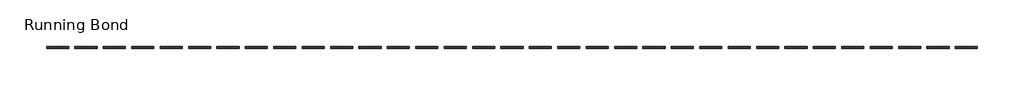
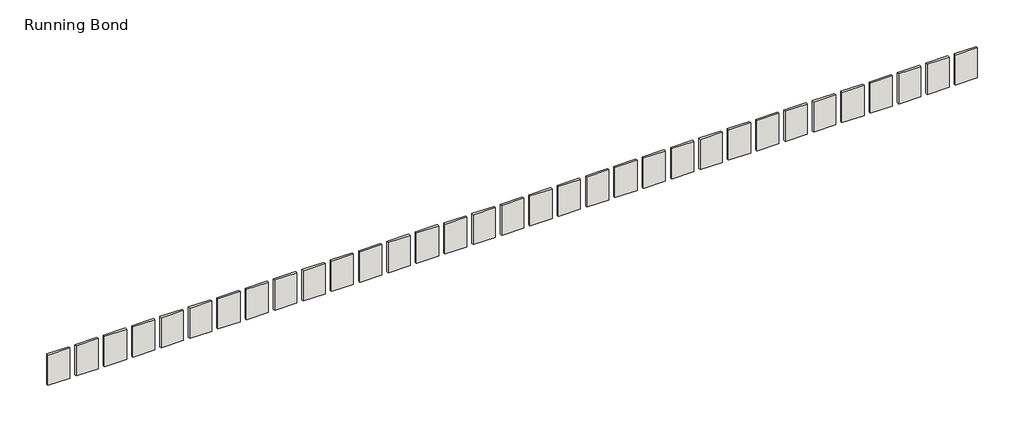
# One storey: 33 walls.
"""IFC4 building model written with IfcOpenShell, lengths in millimetres."""

from ifc_helpers import new_model, si_unit, origin, origin_with_axes, place, context, project, spatial, polyline, outline, extrude, element, save

model = new_model("IFC4")

# Units and contexts
model_context = context("Model", 3, world=origin())
ifc_project = project(units=[si_unit("LENGTHUNIT", "METRE", prefix="MILLI")], contexts=[model_context])

# Site, building, storey
site = spatial("IfcSite", under=ifc_project)
building = spatial("IfcBuilding", under=site)
storey = spatial("IfcBuildingStorey", under=building, Name="Running Bond", Elevation=0.0)

# Walls
placement = place(None, origin())
element("IfcWall", 1, at=placement, inside=storey, context=model_context, shape_type="SweptSolid", body=[
    extrude(outline(polyline([(-8690.2229746, -16295.9620319), (-9757.0229746, -16295.9620319), (-9757.0229746, -16194.3620319), (-8690.2229746, -16194.3620319), (-8690.2229746, -16295.9620319)])), origin_with_axes(), (0.0, 0.0, 1.0), 1551.3498478),
])
element("IfcWall", 2, at=placement, inside=storey, context=model_context, shape_type="SweptSolid", body=[
    extrude(outline(polyline([(-7318.6229746, -16295.9620319), (-8385.4229746, -16295.9620319), (-8385.4229746, -16194.3620319), (-7318.6229746, -16194.3620319), (-7318.6229746, -16295.9620319)])), origin_with_axes(), (0.0, 0.0, 1.0), 1524.0),
])
element("IfcWall", 3, at=placement, inside=storey, context=model_context, shape_type="SweptSolid", body=[
    extrude(outline(polyline([(2282.5770254, -16295.9620319), (1215.7770254, -16295.9620319), (1215.7770254, -16194.3620319), (2282.5770254, -16194.3620319), (2282.5770254, -16295.9620319)])), origin_with_axes(), (0.0, 0.0, 1.0), 1545.387798),
])
element("IfcWall", 4, at=placement, inside=storey, context=model_context, shape_type="SweptSolid", body=[
    extrude(outline(polyline([(3654.1770254, -16295.9620319), (2587.3770254, -16295.9620319), (2587.3770254, -16194.3620319), (3654.1770254, -16194.3620319), (3654.1770254, -16295.9620319)])), origin_with_axes(), (0.0, 0.0, 1.0), 1545.387798),
])
element("IfcWall", 5, at=placement, inside=storey, context=model_context, shape_type="SweptSolid", body=[
    extrude(outline(polyline([(7768.9770254, -16295.9620319), (6702.1770254, -16295.9620319), (6702.1770254, -16194.3620319), (7768.9770254, -16194.3620319), (7768.9770254, -16295.9620319)])), origin_with_axes(), (0.0, 0.0, 1.0), 1545.387798),
])
element("IfcWall", 6, at=placement, inside=storey, context=model_context, shape_type="SweptSolid", body=[
    extrude(outline(polyline([(10512.1770254, -16295.9620319), (9445.3770254, -16295.9620319), (9445.3770254, -16194.3620319), (10512.1770254, -16194.3620319), (10512.1770254, -16295.9620319)])), origin_with_axes(), (0.0, 0.0, 1.0), 1545.387798),
])
element("IfcWall", 7, at=placement, inside=storey, context=model_context, shape_type="SweptSolid", body=[
    extrude(outline(polyline([(11883.7770254, -16295.9620319), (10816.9770254, -16295.9620319), (10816.9770254, -16194.3620319), (11883.7770254, -16194.3620319), (11883.7770254, -16295.9620319)])), origin_with_axes(), (0.0, 0.0, 1.0), 1545.387798),
])
element("IfcWall", 8, at=placement, inside=storey, context=model_context, shape_type="SweptSolid", body=[
    extrude(outline(polyline([(13255.3770254, -16295.9620319), (12188.5770254, -16295.9620319), (12188.5770254, -16194.3620319), (13255.3770254, -16194.3620319), (13255.3770254, -16295.9620319)])), origin_with_axes(), (0.0, 0.0, 1.0), 1545.387798),
])
element("IfcWall", 9, at=placement, inside=storey, context=model_context, shape_type="SweptSolid", body=[
    extrude(outline(polyline([(14626.9770254, -16295.9620319), (13560.1770254, -16295.9620319), (13560.1770254, -16194.3620319), (14626.9770254, -16194.3620319), (14626.9770254, -16295.9620319)])), origin_with_axes(), (0.0, 0.0, 1.0), 1545.387798),
])
element("IfcWall", 10, at=placement, inside=storey, context=model_context, shape_type="SweptSolid", body=[
    extrude(outline(polyline([(-19663.0229746, -16295.9620319), (-20729.8229746, -16295.9620319), (-20729.8229746, -16194.3620319), (-19663.0229746, -16194.3620319), (-19663.0229746, -16295.9620319)])), origin_with_axes(), (0.0, 0.0, 1.0), 1545.387798),
])
element("IfcWall", 11, at=placement, inside=storey, context=model_context, shape_type="SweptSolid", body=[
    extrude(outline(polyline([(-18291.4229746, -16295.9620319), (-19358.2229746, -16295.9620319), (-19358.2229746, -16194.3620319), (-18291.4229746, -16194.3620319), (-18291.4229746, -16295.9620319)])), origin_with_axes(), (0.0, 0.0, 1.0), 1545.387798),
])
element("IfcWall", 12, at=placement, inside=storey, context=model_context, shape_type="SweptSolid", body=[
    extrude(outline(polyline([(-11433.4229746, -16295.9620319), (-12500.2229746, -16295.9620319), (-12500.2229746, -16194.3620319), (-11433.4229746, -16194.3620319), (-11433.4229746, -16295.9620319)])), origin_with_axes(), (0.0, 0.0, 1.0), 1545.387798),
])
element("IfcWall", 13, at=placement, inside=storey, context=model_context, shape_type="SweptSolid", body=[
    extrude(outline(polyline([(-10061.8229746, -16295.9620319), (-11128.6229746, -16295.9620319), (-11128.6229746, -16194.3620319), (-10061.8229746, -16194.3620319), (-10061.8229746, -16295.9620319)])), origin_with_axes(), (0.0, 0.0, 1.0), 1545.387798),
])
element("IfcWall", 14, at=placement, inside=storey, context=model_context, shape_type="SweptSolid", body=[
    extrude(outline(polyline([(-16919.8229746, -16295.9620319), (-17986.6229746, -16295.9620319), (-17986.6229746, -16194.3620319), (-16919.8229746, -16194.3620319), (-16919.8229746, -16295.9620319)])), origin_with_axes(), (0.0, 0.0, 1.0), 1545.387798),
])
element("IfcWall", 15, at=placement, inside=storey, context=model_context, shape_type="SweptSolid", body=[
    extrude(outline(polyline([(-15548.2229746, -16295.9620319), (-16615.0229746, -16295.9620319), (-16615.0229746, -16194.3620319), (-15548.2229746, -16194.3620319), (-15548.2229746, -16295.9620319)])), origin_with_axes(), (0.0, 0.0, 1.0), 1545.387798),
])
element("IfcWall", 16, at=placement, inside=storey, context=model_context, shape_type="SweptSolid", body=[
    extrude(outline(polyline([(-460.6229746, -16291.1995319), (-1527.4229746, -16291.1995319), (-1527.4229746, -16199.1245319), (-460.6229746, -16199.1245319), (-460.6229746, -16291.1995319)])), origin_with_axes(), (0.0, 0.0, 1.0), 1545.387798),
])
element("IfcWall", 17, at=placement, inside=storey, context=model_context, shape_type="SweptSolid", body=[
    extrude(outline(polyline([(910.9770254, -16291.1995319), (-155.8229746, -16291.1995319), (-155.8229746, -16199.1245319), (910.9770254, -16199.1245319), (910.9770254, -16291.1995319)])), origin_with_axes(), (0.0, 0.0, 1.0), 1545.387798),
])
element("IfcWall", 18, at=placement, inside=storey, context=model_context, shape_type="SweptSolid", body=[
    extrude(outline(polyline([(-14176.6229746, -16295.9620319), (-15243.4229746, -16295.9620319), (-15243.4229746, -16194.3620319), (-14176.6229746, -16194.3620319), (-14176.6229746, -16295.9620319)])), origin_with_axes(), (0.0, 0.0, 1.0), 1545.387798),
])
element("IfcWall", 19, at=placement, inside=storey, context=model_context, shape_type="SweptSolid", body=[
    extrude(outline(polyline([(-12805.0229746, -16295.9620319), (-13871.8229746, -16295.9620319), (-13871.8229746, -16194.3620319), (-12805.0229746, -16194.3620319), (-12805.0229746, -16295.9620319)])), origin_with_axes(), (0.0, 0.0, 1.0), 1545.387798),
])
element("IfcWall", 20, at=placement, inside=storey, context=model_context, shape_type="SweptSolid", body=[
    extrude(outline(polyline([(-22406.2229746, -16295.9620319), (-23473.0229746, -16295.9620319), (-23473.0229746, -16194.3620319), (-22406.2229746, -16194.3620319), (-22406.2229746, -16295.9620319)])), origin_with_axes(), (0.0, 0.0, 1.0), 1545.387798),
])
element("IfcWall", 21, at=placement, inside=storey, context=model_context, shape_type="SweptSolid", body=[
    extrude(outline(polyline([(-26521.0229746, -16295.9620319), (-27587.8229746, -16295.9620319), (-27587.8229746, -16194.3620319), (-26521.0229746, -16194.3620319), (-26521.0229746, -16295.9620319)])), origin_with_axes(), (0.0, 0.0, 1.0), 1545.387798),
])
element("IfcWall", 22, at=placement, inside=storey, context=model_context, shape_type="SweptSolid", body=[
    extrude(outline(polyline([(-25149.4229746, -16295.9620319), (-26216.2229746, -16295.9620319), (-26216.2229746, -16194.3620319), (-25149.4229746, -16194.3620319), (-25149.4229746, -16295.9620319)])), origin_with_axes(), (0.0, 0.0, 1.0), 1545.387798),
])
element("IfcWall", 23, at=placement, inside=storey, context=model_context, shape_type="SweptSolid", body=[
    extrude(outline(polyline([(-23777.8229746, -16295.9620319), (-24844.6229746, -16295.9620319), (-24844.6229746, -16194.3620319), (-23777.8229746, -16194.3620319), (-23777.8229746, -16295.9620319)])), origin_with_axes(), (0.0, 0.0, 1.0), 1545.387798),
])
element("IfcWall", 24, at=placement, inside=storey, context=model_context, shape_type="SweptSolid", body=[
    extrude(outline(polyline([(-21034.6229746, -16295.9620319), (-22101.4229746, -16295.9620319), (-22101.4229746, -16194.3620319), (-21034.6229746, -16194.3620319), (-21034.6229746, -16295.9620319)])), origin_with_axes(), (0.0, 0.0, 1.0), 1545.387798),
])
element("IfcWall", 25, at=placement, inside=storey, context=model_context, shape_type="SweptSolid", body=[
    extrude(outline(polyline([(-5947.0229746, -16295.9620319), (-7013.8229746, -16295.9620319), (-7013.8229746, -16194.3620319), (-5947.0229746, -16194.3620319), (-5947.0229746, -16295.9620319)])), origin_with_axes(), (0.0, 0.0, 1.0), 1524.0),
])
element("IfcWall", 26, at=placement, inside=storey, context=model_context, shape_type="SweptSolid", body=[
    extrude(outline(polyline([(-4575.4229746, -16295.9620319), (-5642.2229746, -16295.9620319), (-5642.2229746, -16194.3620319), (-4575.4229746, -16194.3620319), (-4575.4229746, -16295.9620319)])), origin_with_axes(), (0.0, 0.0, 1.0), 1524.0),
])
element("IfcWall", 27, at=placement, inside=storey, context=model_context, shape_type="SweptSolid", body=[
    extrude(outline(polyline([(-3203.8229746, -16295.9620319), (-4270.6229746, -16295.9620319), (-4270.6229746, -16194.3620319), (-3203.8229746, -16194.3620319), (-3203.8229746, -16295.9620319)])), origin_with_axes(), (0.0, 0.0, 1.0), 1524.0),
])
element("IfcWall", 28, at=placement, inside=storey, context=model_context, shape_type="SweptSolid", body=[
    extrude(outline(polyline([(-1832.2229746, -16295.9620319), (-2899.0229746, -16295.9620319), (-2899.0229746, -16194.3620319), (-1832.2229746, -16194.3620319), (-1832.2229746, -16295.9620319)])), origin_with_axes(), (0.0, 0.0, 1.0), 1524.0),
])
element("IfcWall", 29, at=placement, inside=storey, context=model_context, shape_type="SweptSolid", body=[
    extrude(outline(polyline([(5025.7770254, -16295.9620319), (3958.9770254, -16295.9620319), (3958.9770254, -16194.3620319), (5025.7770254, -16194.3620319), (5025.7770254, -16295.9620319)])), origin_with_axes(), (0.0, 0.0, 1.0), 1545.387798),
])
element("IfcWall", 30, at=placement, inside=storey, context=model_context, shape_type="SweptSolid", body=[
    extrude(outline(polyline([(6397.3770254, -16295.9620319), (5330.5770254, -16295.9620319), (5330.5770254, -16194.3620319), (6397.3770254, -16194.3620319), (6397.3770254, -16295.9620319)])), origin_with_axes(), (0.0, 0.0, 1.0), 1545.387798),
])
element("IfcWall", 31, at=placement, inside=storey, context=model_context, shape_type="SweptSolid", body=[
    extrude(outline(polyline([(9140.5770254, -16295.9620319), (8073.7770254, -16295.9620319), (8073.7770254, -16194.3620319), (9140.5770254, -16194.3620319), (9140.5770254, -16295.9620319)])), origin_with_axes(), (0.0, 0.0, 1.0), 1545.387798),
])
element("IfcWall", 32, at=placement, inside=storey, context=model_context, shape_type="SweptSolid", body=[
    extrude(outline(polyline([(15998.5770254, -16295.9620319), (14931.7770254, -16295.9620319), (14931.7770254, -16194.3620319), (15998.5770254, -16194.3620319), (15998.5770254, -16295.9620319)])), origin_with_axes(), (0.0, 0.0, 1.0), 1545.387798),
])
element("IfcWall", 33, at=placement, inside=storey, context=model_context, shape_type="SweptSolid", body=[
    extrude(outline(polyline([(17370.1770254, -16295.9620319), (16303.3770254, -16295.9620319), (16303.3770254, -16194.3620319), (17370.1770254, -16194.3620319), (17370.1770254, -16295.9620319)])), origin_with_axes(), (0.0, 0.0, 1.0), 1545.387798),
])

save(model, "model.ifc")
